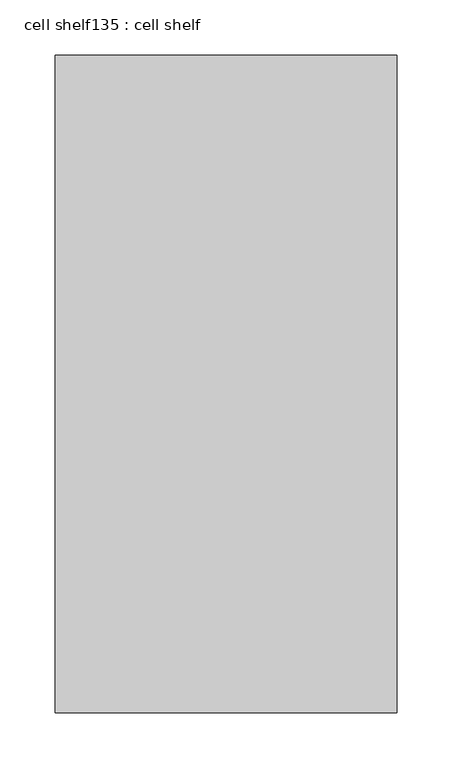
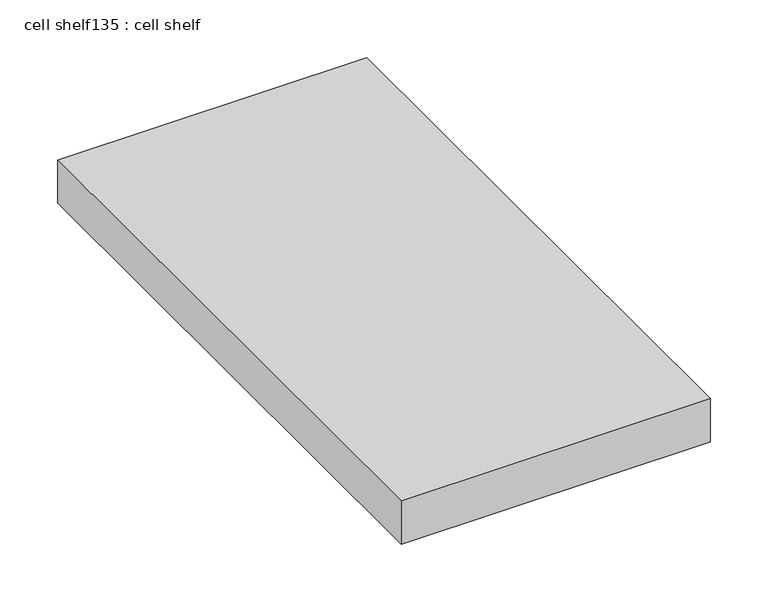
"""IFC4 building model written with IfcOpenShell, lengths in millimetres: proxy geometry, cell shelf135 : cell shelf."""

from ifc_helpers import new_model, si_unit, frame, origin, place, context, project, spatial, polyline, outline, extrude, source, transform, mapped, element, save


def cell_shelf135_cell_shelf_8653d5e3(model_context):
    return source(origin(), model_context, "Body", "SweptSolid", [
        extrude(outline(polyline([(-122232.5451094, -29980.3417641), (-122232.5451094, -30575.4281598), (-122541.8929059, -30575.4281598), (-122541.8929059, -29980.3417641), (-122232.5451094, -29980.3417641)])), frame((0.0, 0.0, 1320.0941517), z_axis=(0.0, 0.0, 1.0), x_axis=(1.0, 0.0, 0.0)), (0.0, 0.0, 1.0), 45.8133004),
    ])


if __name__ == "__main__":
    model = new_model("IFC4")
    model_context = context("Model", 3, world=origin())
    ifc_project = project(units=[si_unit("LENGTHUNIT", "METRE", prefix="MILLI")], contexts=[model_context])
    site = spatial("IfcSite", under=ifc_project)
    building = spatial("IfcBuilding", under=site)
    placement = place(None, origin())
    cell_shelf135_cell_shelf_shape = cell_shelf135_cell_shelf_8653d5e3(model_context)
    element("IfcBuildingElementProxy", 1, Name="cell shelf135 : cell shelf", ObjectType="cell shelf135 : cell shelf", at=placement, inside=building, context=model_context, shape_type="MappedRepresentation", body=[
        mapped(cell_shelf135_cell_shelf_shape, transform((0.0, 0.0, 0.0), x_axis=(1.0, 0.0, 0.0), y_axis=(0.0, 1.0, 0.0), z_axis=(0.0, 0.0, 1.0))),
    ])
    save(model, "model.ifc")
